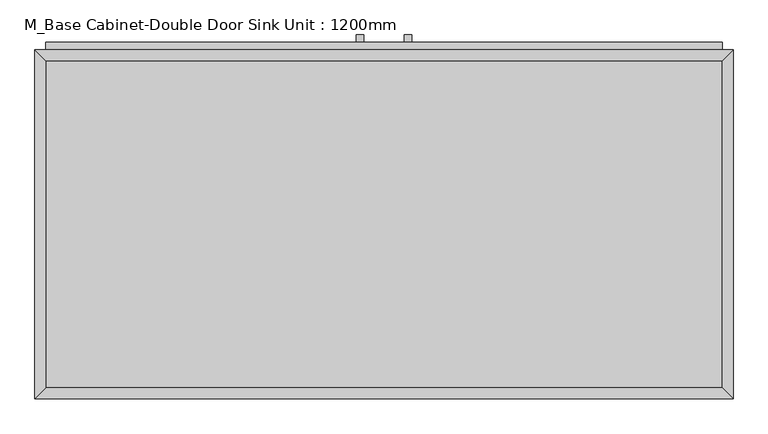
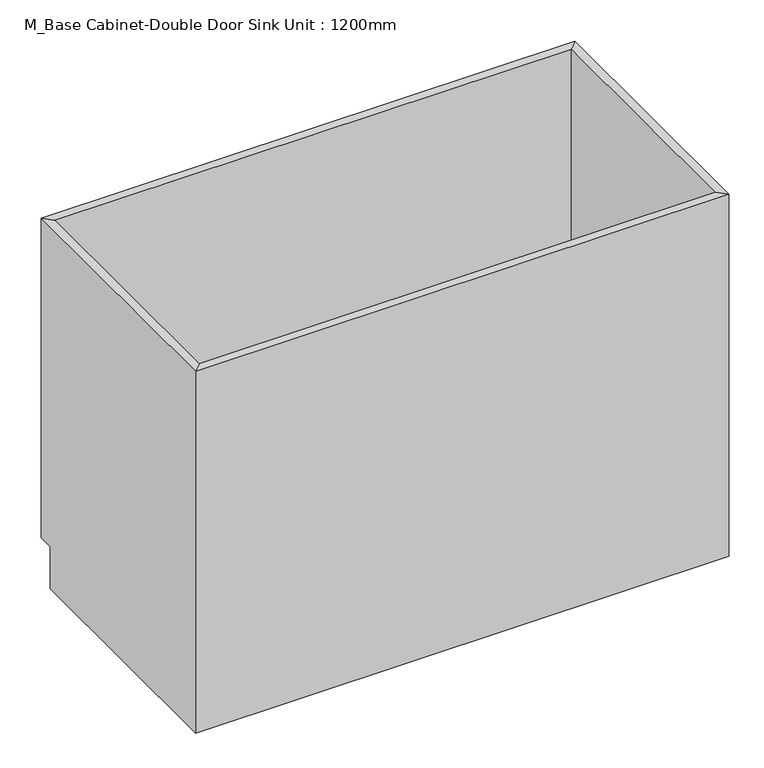
"""IFC4 building model written with IfcOpenShell, lengths in millimetres: furniture geometry, M_Base Cabinet-Double Door Sink Unit : 1200mm."""

from ifc_helpers import new_model, si_unit, frame, origin, place, context, project, spatial, polyline, outline, extrude, faceted_brep, source, transform, mapped, element, save


def m_base_cabinet_double_door_sink_unit_1200mm_47fd2ceb(model_context):
    return source(origin(), model_context, "Body", "SolidModel", [
        faceted_brep([(599.6877049, 580.95, 860.0), (-562.2122951, 580.95, 860.0), (-562.2122951, 580.95, 100.0), (599.6877049, 580.95, 100.0), (618.7377049, 600.0, 860.0), (-581.2622951, 600.0, 860.0), (618.7377049, 600.0, 100.0), (-581.2622951, 600.0, 100.0), (-562.2122951, 19.05, 860.0), (-562.2122951, 19.05, 100.0), (-562.2122951, 565.0, 100.0), (-581.2622951, 0.0, 860.0), (-581.2622951, 565.0, 100.0), (-581.2622951, 565.0, 0.0), (-581.2622951, 0.0, 0.0), (599.6877049, 19.05, 860.0), (599.6877049, 19.05, 100.0), (618.7377049, 0.0, 860.0), (618.7377049, 0.0, 0.0), (599.6877049, 565.0, 100.0), (618.7377049, 565.0, 0.0), (618.7377049, 565.0, 100.0)], [[[0, 1, 2, 3]], [[0, 4, 5, 1]], [[4, 6, 7, 5]], [[2, 7, 6, 3]], [[1, 8, 9, 10, 2]], [[5, 11, 8, 1]], [[7, 12, 13, 14, 11, 5]], [[2, 10, 12, 7]], [[8, 15, 16, 9]], [[11, 17, 15, 8]], [[14, 18, 17, 11]], [[3, 19, 16, 15, 0]], [[0, 15, 17, 4]], [[4, 17, 18, 20, 21, 6]], [[6, 21, 19, 3]], [[10, 9, 16, 19]], [[18, 14, 13, 20]], [[13, 12, 10, 19, 21, 20]]]),
        extrude(outline(polyline([(-16.1872951, 625.4), (-16.1872951, 612.7), (-28.8872951, 612.7), (-28.8872951, 625.4), (-16.1872951, 625.4)])), frame((0.0, 0.0, 557.469895), z_axis=(0.0, 0.0, 1.0), x_axis=(1.0, 0.0, 0.0)), (0.0, 0.0, 1.0), 124.730105),
        extrude(outline(polyline([(66.3627049, 625.4), (66.3627049, 612.7), (53.6627049, 612.7), (53.6627049, 625.4), (66.3627049, 625.4)])), frame((0.0, 0.0, 557.469895), z_axis=(0.0, 0.0, 1.0), x_axis=(1.0, 0.0, 0.0)), (0.0, 0.0, 1.0), 124.730105),
        extrude(outline(polyline([(9.2127049, 612.7), (9.2127049, 600.0), (-562.2122951, 600.0), (-562.2122951, 612.7), (9.2127049, 612.7)])), frame((0.0, 0.0, 119.05), z_axis=(0.0, 0.0, 1.0), x_axis=(1.0, 0.0, 0.0)), (0.0, 0.0, 1.0), 601.25),
        extrude(outline(polyline([(599.6877049, 612.7), (599.6877049, 600.0), (28.2627049, 600.0), (28.2627049, 612.7), (599.6877049, 612.7)])), frame((0.0, 0.0, 119.05), z_axis=(0.0, 0.0, 1.0), x_axis=(1.0, 0.0, 0.0)), (0.0, 0.0, 1.0), 601.25),
        extrude(outline(polyline([(599.6877049, 612.7), (599.6877049, 600.0), (-562.2122951, 600.0), (-562.2122951, 612.7), (599.6877049, 612.7)])), frame((0.0, 0.0, 739.35), z_axis=(0.0, 0.0, 1.0), x_axis=(1.0, 0.0, 0.0)), (0.0, 0.0, 1.0), 101.6),
        extrude(outline(polyline([(599.6877049, 19.05), (-562.2122951, 19.05), (-562.2122951, 580.95), (599.6877049, 580.95), (599.6877049, 19.05)])), frame((0.0, 0.0, 100.0), z_axis=(0.0, 0.0, 1.0), x_axis=(1.0, 0.0, 0.0)), (0.0, 0.0, 1.0), 19.05),
    ])


if __name__ == "__main__":
    model = new_model("IFC4")
    model_context = context("Model", 3, world=origin())
    ifc_project = project(units=[si_unit("LENGTHUNIT", "METRE", prefix="MILLI")], contexts=[model_context])
    site = spatial("IfcSite", under=ifc_project)
    building = spatial("IfcBuilding", under=site)
    placement = place(None, origin())
    m_base_cabinet_double_door_sink_unit_1200mm_shape = m_base_cabinet_double_door_sink_unit_1200mm_47fd2ceb(model_context)
    element("IfcFurniture", 1, ObjectType="M_Base Cabinet-Double Door Sink Unit : 1200mm", at=placement, inside=building, context=model_context, shape_type="MappedRepresentation", body=[
        mapped(m_base_cabinet_double_door_sink_unit_1200mm_shape, transform((0.0, 0.0, 0.0), x_axis=(1.0, 0.0, 0.0), y_axis=(0.0, 1.0, 0.0), z_axis=(0.0, 0.0, 1.0))),
    ])
    save(model, "model.ifc")
